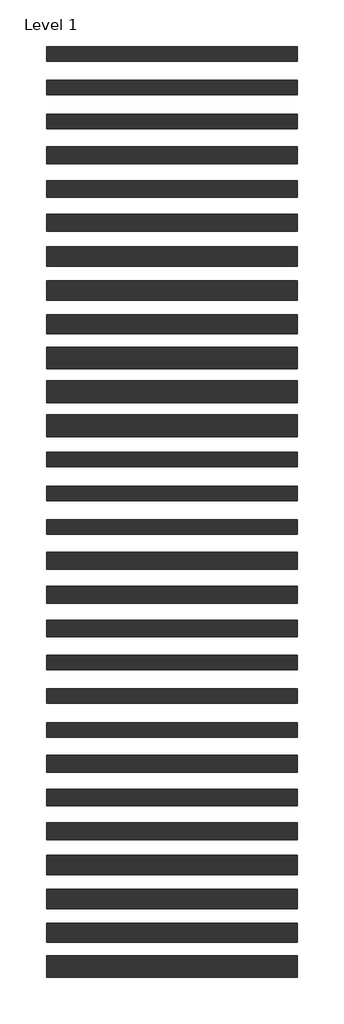
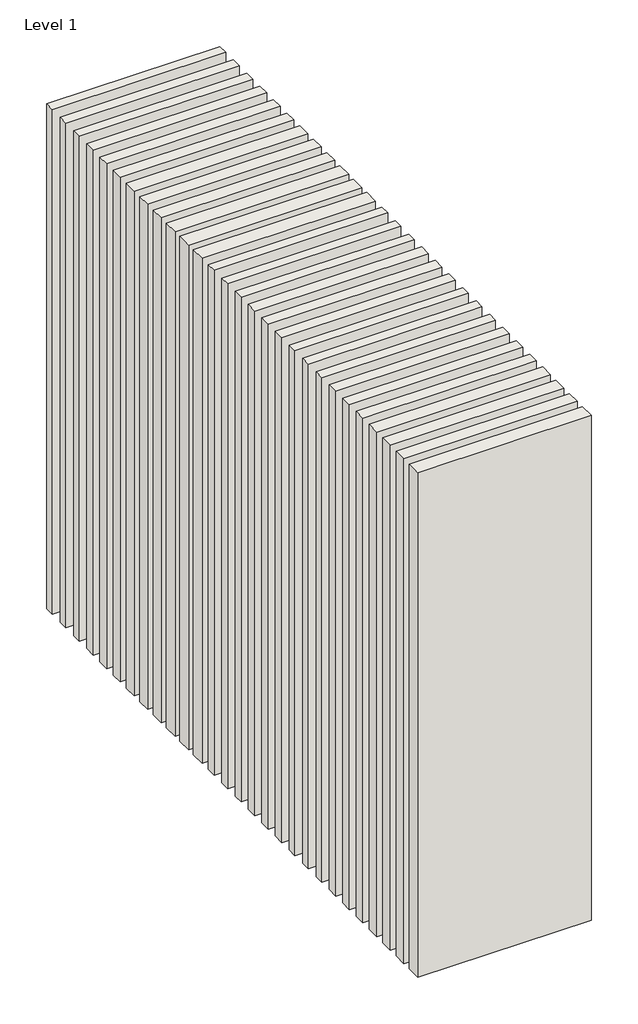
# One storey: 28 walls.
"""IFC4 building model written with IfcOpenShell, lengths in millimetres."""

import ifcopenshell
import ifcopenshell.guid

model = None  # the IFC model being written
_history = None  # IfcOwnerHistory: only IFC2X3 demands one
_inside = {}  # id of a spatial element -> (the spatial element, [elements in it])
_under = {}  # id of a project, library or spatial element -> (it, [spatial elements below it])
_declared = {}  # id of a project -> (the project, [libraries it declares])
_typed = {}  # id of a type object -> (the type object, [elements of that type])
_made_of = {}  # id of a material, layer set ... -> (it, [elements and type objects made of it])


def new_model(schema):
    """Start an empty IFC model of exactly this schema.

    Asked for "IFC4X3", IfcOpenShell would pick the latest addendum, in which some entities
    have other attributes; the version numbers below select the first issue.
    IFC2X3 requires an IfcOwnerHistory on every rooted entity: one is made here for all.
    """
    global model, _history
    if schema == "IFC4X3":
        model = ifcopenshell.file(schema_version=(4, 3, 0, 0))
    else:
        model = ifcopenshell.file(schema=schema)
    _inside.clear()
    _under.clear()
    _declared.clear()
    _typed.clear()
    _made_of.clear()
    _history = None
    if model.schema == "IFC2X3":
        org = make("IfcOrganization", Name="unknown")
        user = make(
            "IfcPersonAndOrganization",
            ThePerson=make("IfcPerson", FamilyName="unknown"),
            TheOrganization=org,
        )
        app = make(
            "IfcApplication",
            ApplicationDeveloper=org,
            Version="unknown",
            ApplicationFullName="unknown",
            ApplicationIdentifier="unknown",
        )
        _history = make(
            "IfcOwnerHistory",
            OwningUser=user,
            OwningApplication=app,
            ChangeAction="ADDED",
            CreationDate=0,
        )
    return model


def make(cls, **values):
    """One entity of the class cls with the attributes given. An attribute that is None is left unset."""
    return model.create_entity(
        cls, **{name: value for name, value in values.items() if value is not None}
    )


def rooted(cls, **values):
    """An entity with a GlobalId (a new one), such as an element, a storey or a relation."""
    return make(cls, GlobalId=ifcopenshell.guid.new(), OwnerHistory=_history, **values)


def si_unit(unit_type, name, prefix=None):
    """IfcSIUnit, for example si_unit("LENGTHUNIT", "METRE", prefix="MILLI")."""
    return make("IfcSIUnit", UnitType=unit_type, Prefix=prefix, Name=name)


def assignment(units):
    """IfcUnitAssignment: the units of a project."""
    return None if units is None else make("IfcUnitAssignment", Units=units)


def point(xyz):
    """IfcCartesianPoint."""
    return None if xyz is None else make("IfcCartesianPoint", Coordinates=xyz)


def direction(xyz):
    """IfcDirection."""
    return None if xyz is None else make("IfcDirection", DirectionRatios=xyz)


def frame(location, z_axis=None, x_axis=None):
    """IfcAxis2Placement3D, a coordinate frame: its origin and axes. An axis left out is left unset."""
    return make(
        "IfcAxis2Placement3D",
        Location=point(location),
        Axis=direction(z_axis),
        RefDirection=direction(x_axis),
    )


def origin():
    """The frame at (0, 0, 0) with its axes left unset."""
    return frame((0.0, 0.0, 0.0))


def origin_with_axes():
    """The frame at (0, 0, 0) with the z axis (0, 0, 1) and the x axis (1, 0, 0) written out."""
    return frame((0.0, 0.0, 0.0), z_axis=(0.0, 0.0, 1.0), x_axis=(1.0, 0.0, 0.0))


def place(relative_to, where):
    """IfcLocalPlacement: puts the frame where relative to a parent placement (None: the world)."""
    return make(
        "IfcLocalPlacement", PlacementRelTo=relative_to, RelativePlacement=where
    )


def context(
    kind, dimensions, precision=None, world=None, true_north=None, identifier=None
):
    """IfcGeometricRepresentationContext, for example the 3D "Model" context."""
    return make(
        "IfcGeometricRepresentationContext",
        ContextIdentifier=identifier,
        ContextType=kind,
        CoordinateSpaceDimension=dimensions,
        Precision=precision,
        WorldCoordinateSystem=world,
        TrueNorth=true_north,
    )


def project(units=None, contexts=None):
    """IfcProject with its units and contexts."""
    return rooted(
        "IfcProject",
        Name="project",
        RepresentationContexts=contexts,
        UnitsInContext=assignment(units),
    )


def spatial(cls, under=None, at=None, **own):
    """A site, building, storey or space (cls), placed at a placement, below another one or the project."""
    s = rooted(cls, ObjectPlacement=at, **own)
    if under is not None:
        _under.setdefault(under.id(), (under, []))[1].append(s)
    return s


def polyline(points):
    """IfcPolyline through the points."""
    return make("IfcPolyline", Points=[point(p) for p in points])


def outline(outer, holes=None, kind="AREA"):
    """IfcArbitraryClosedProfileDef: a profile drawn as a closed curve; with holes, ...WithVoids."""
    if holes is None:
        return make("IfcArbitraryClosedProfileDef", ProfileType=kind, OuterCurve=outer)
    return make(
        "IfcArbitraryProfileDefWithVoids",
        ProfileType=kind,
        OuterCurve=outer,
        InnerCurves=holes,
    )


def extrude(swept, where, along, depth):
    """IfcExtrudedAreaSolid: the profile swept, set in the frame where, extruded along a direction by depth."""
    return make(
        "IfcExtrudedAreaSolid",
        SweptArea=swept,
        Position=where,
        ExtrudedDirection=direction(along),
        Depth=depth,
    )


def shape(context_of_items, identifier, shape_type, items):
    """IfcShapeRepresentation: the items that make up one representation, for example the "Body"."""
    return make(
        "IfcShapeRepresentation",
        ContextOfItems=context_of_items,
        RepresentationIdentifier=identifier,
        RepresentationType=shape_type,
        Items=items,
    )


def made_of(thing, what):
    """Note that an element or type object is made of a material, layer set ...; save() writes the relation."""
    if what is not None:
        _made_of.setdefault(what.id(), (what, []))[1].append(thing)
    return thing


def element(
    cls,
    number,
    at=None,
    inside=None,
    cuts=None,
    type_object=None,
    material=None,
    context=None,
    identifier="Body",
    shape_type=None,
    held_by="IfcProductDefinitionShape",
    body=None,
    shapes=None,
    **own,
):
    """One element of the class cls, such as IfcWall. Its Tag is "e" and its number.

    at: its placement. inside: the storey or other place that contains it. cuts: it is an
    opening in that element (IfcRelVoidsElement). A single representation is given by context,
    identifier, shape_type and body (its items); several are given by shapes. held_by: the class
    of the entity that holds the representations. save() writes the other relations.
    """
    e = rooted(cls, Tag="e%d" % number, ObjectPlacement=at, **own)
    if body is not None:
        shapes = [shape(context, identifier, shape_type, body)]
    if shapes is not None:
        e.Representation = make(held_by, Representations=shapes)
    if inside is not None:
        _inside.setdefault(inside.id(), (inside, []))[1].append(e)
    if cuts is not None:
        rooted(
            "IfcRelVoidsElement", RelatingBuildingElement=cuts, RelatedOpeningElement=e
        )
    if type_object is not None:
        _typed.setdefault(type_object.id(), (type_object, []))[1].append(e)
    return made_of(e, material)


def aggregate(whole, parts):
    """IfcRelAggregates: a whole, such as a stair, and the parts it consists of."""
    return rooted("IfcRelAggregates", RelatingObject=whole, RelatedObjects=parts)


def save(model, path):
    """Write the relations noted so far, then the file.

    IfcRelAggregates (storeys below a building ...), IfcRelContainedInSpatialStructure (elements
    in a storey), IfcRelDefinesByType, IfcRelAssociatesMaterial and IfcRelDeclares: one each for
    every whole, place, type object, material and project.
    """
    for whole, parts in _under.values():
        aggregate(whole, parts)
    for where, things in _inside.values():
        rooted(
            "IfcRelContainedInSpatialStructure",
            RelatedElements=things,
            RelatingStructure=where,
        )
    for kind, things in _typed.values():
        rooted("IfcRelDefinesByType", RelatedObjects=things, RelatingType=kind)
    for what, things in _made_of.values():
        rooted("IfcRelAssociatesMaterial", RelatedObjects=things, RelatingMaterial=what)
    for by, libraries in _declared.values():
        rooted("IfcRelDeclares", RelatingContext=by, RelatedDefinitions=libraries)
    model.write(path)


model = new_model("IFC4")

# Units and contexts
model_context = context("Model", 3, world=origin())
ifc_project = project(units=[si_unit("LENGTHUNIT", "METRE", prefix="MILLI")], contexts=[model_context])

# Site, building, storey
site = spatial("IfcSite", under=ifc_project)
building = spatial("IfcBuilding", under=site)
storey = spatial("IfcBuildingStorey", under=building, Name="Level 1", Elevation=0.0)

# Walls
placement = place(None, origin())
element("IfcWall", 1, at=placement, inside=storey, context=model_context, shape_type="SweptSolid", body=[
    extrude(outline(polyline([(-16904.1464237, 3661.4042935), (-19504.1464237, 3661.4042935), (-19504.1464237, 3811.4042935), (-16904.1464237, 3811.4042935), (-16904.1464237, 3661.4042935)])), origin_with_axes(), (0.0, 0.0, 1.0), 8000.0),
])
element("IfcWall", 2, at=placement, inside=storey, context=model_context, shape_type="SweptSolid", body=[
    extrude(outline(polyline([(-16904.1464237, 3311.4042935), (-19504.1464237, 3311.4042935), (-19504.1464237, 3461.4042935), (-16904.1464237, 3461.4042935), (-16904.1464237, 3311.4042935)])), origin_with_axes(), (0.0, 0.0, 1.0), 8000.0),
])
element("IfcWall", 3, at=placement, inside=storey, context=model_context, shape_type="SweptSolid", body=[
    extrude(outline(polyline([(-16904.1464237, 2961.4042935), (-19504.1464237, 2961.4042935), (-19504.1464237, 3111.4042935), (-16904.1464237, 3111.4042935), (-16904.1464237, 2961.4042935)])), origin_with_axes(), (0.0, 0.0, 1.0), 8000.0),
])
element("IfcWall", 4, at=placement, inside=storey, context=model_context, shape_type="SweptSolid", body=[
    extrude(outline(polyline([(-16904.1464237, 2598.9042935), (-19504.1464237, 2598.9042935), (-19504.1464237, 2773.9042935), (-16904.1464237, 2773.9042935), (-16904.1464237, 2598.9042935)])), origin_with_axes(), (0.0, 0.0, 1.0), 8000.0),
])
element("IfcWall", 5, at=placement, inside=storey, context=model_context, shape_type="SweptSolid", body=[
    extrude(outline(polyline([(-16904.1464237, 2248.9042935), (-19504.1464237, 2248.9042935), (-19504.1464237, 2423.9042935), (-16904.1464237, 2423.9042935), (-16904.1464237, 2248.9042935)])), origin_with_axes(), (0.0, 0.0, 1.0), 8000.0),
])
element("IfcWall", 6, at=placement, inside=storey, context=model_context, shape_type="SweptSolid", body=[
    extrude(outline(polyline([(-16904.1464237, 1898.9042935), (-19504.1464237, 1898.9042935), (-19504.1464237, 2073.9042935), (-16904.1464237, 2073.9042935), (-16904.1464237, 1898.9042935)])), origin_with_axes(), (0.0, 0.0, 1.0), 8000.0),
])
element("IfcWall", 7, at=placement, inside=storey, context=model_context, shape_type="SweptSolid", body=[
    extrude(outline(polyline([(-16904.1464237, 1536.4042935), (-19504.1464237, 1536.4042935), (-19504.1464237, 1736.4042935), (-16904.1464237, 1736.4042935), (-16904.1464237, 1536.4042935)])), origin_with_axes(), (0.0, 0.0, 1.0), 8000.0),
])
element("IfcWall", 8, at=placement, inside=storey, context=model_context, shape_type="SweptSolid", body=[
    extrude(outline(polyline([(-16904.1464237, 1186.4042935), (-19504.1464237, 1186.4042935), (-19504.1464237, 1386.4042935), (-16904.1464237, 1386.4042935), (-16904.1464237, 1186.4042935)])), origin_with_axes(), (0.0, 0.0, 1.0), 8000.0),
])
element("IfcWall", 9, at=placement, inside=storey, context=model_context, shape_type="SweptSolid", body=[
    extrude(outline(polyline([(-16904.1464237, 836.4042935), (-19504.1464237, 836.4042935), (-19504.1464237, 1036.4042935), (-16904.1464237, 1036.4042935), (-16904.1464237, 836.4042935)])), origin_with_axes(), (0.0, 0.0, 1.0), 8000.0),
])
element("IfcWall", 10, at=placement, inside=storey, context=model_context, shape_type="SweptSolid", body=[
    extrude(outline(polyline([(-16904.1464237, 473.9042935), (-19504.1464237, 473.9042935), (-19504.1464237, 698.9042935), (-16904.1464237, 698.9042935), (-16904.1464237, 473.9042935)])), origin_with_axes(), (0.0, 0.0, 1.0), 8000.0),
])
element("IfcWall", 11, at=placement, inside=storey, context=model_context, shape_type="SweptSolid", body=[
    extrude(outline(polyline([(-16904.1464237, 123.9042935), (-19504.1464237, 123.9042935), (-19504.1464237, 348.9042935), (-16904.1464237, 348.9042935), (-16904.1464237, 123.9042935)])), origin_with_axes(), (0.0, 0.0, 1.0), 8000.0),
])
element("IfcWall", 12, at=placement, inside=storey, context=model_context, shape_type="SweptSolid", body=[
    extrude(outline(polyline([(-16904.1464237, -226.0957065), (-19504.1464237, -226.0957065), (-19504.1464237, -1.0957065), (-16904.1464237, -1.0957065), (-16904.1464237, -226.0957065)])), origin_with_axes(), (0.0, 0.0, 1.0), 8000.0),
])
element("IfcWall", 13, at=placement, inside=storey, context=model_context, shape_type="SweptSolid", body=[
    extrude(outline(polyline([(-16904.1464237, -538.5957065), (-19504.1464237, -538.5957065), (-19504.1464237, -388.5957065), (-16904.1464237, -388.5957065), (-16904.1464237, -538.5957065)])), origin_with_axes(), (0.0, 0.0, 1.0), 8000.0),
])
element("IfcWall", 14, at=placement, inside=storey, context=model_context, shape_type="SweptSolid", body=[
    extrude(outline(polyline([(-16904.1464237, -888.5957065), (-19504.1464237, -888.5957065), (-19504.1464237, -738.5957065), (-16904.1464237, -738.5957065), (-16904.1464237, -888.5957065)])), origin_with_axes(), (0.0, 0.0, 1.0), 8000.0),
])
element("IfcWall", 15, at=placement, inside=storey, context=model_context, shape_type="SweptSolid", body=[
    extrude(outline(polyline([(-16904.1464237, -1238.5957065), (-19504.1464237, -1238.5957065), (-19504.1464237, -1088.5957065), (-16904.1464237, -1088.5957065), (-16904.1464237, -1238.5957065)])), origin_with_axes(), (0.0, 0.0, 1.0), 8000.0),
])
element("IfcWall", 16, at=placement, inside=storey, context=model_context, shape_type="SweptSolid", body=[
    extrude(outline(polyline([(-16904.1464237, -1601.0957065), (-19504.1464237, -1601.0957065), (-19504.1464237, -1426.0957065), (-16904.1464237, -1426.0957065), (-16904.1464237, -1601.0957065)])), origin_with_axes(), (0.0, 0.0, 1.0), 8000.0),
])
element("IfcWall", 17, at=placement, inside=storey, context=model_context, shape_type="SweptSolid", body=[
    extrude(outline(polyline([(-16904.1464237, -1951.0957065), (-19504.1464237, -1951.0957065), (-19504.1464237, -1776.0957065), (-16904.1464237, -1776.0957065), (-16904.1464237, -1951.0957065)])), origin_with_axes(), (0.0, 0.0, 1.0), 8000.0),
])
element("IfcWall", 18, at=placement, inside=storey, context=model_context, shape_type="SweptSolid", body=[
    extrude(outline(polyline([(-16904.1464237, -2301.0957065), (-19504.1464237, -2301.0957065), (-19504.1464237, -2126.0957065), (-16904.1464237, -2126.0957065), (-16904.1464237, -2301.0957065)])), origin_with_axes(), (0.0, 0.0, 1.0), 8000.0),
])
element("IfcWall", 19, at=placement, inside=storey, context=model_context, shape_type="SweptSolid", body=[
    extrude(outline(polyline([(-16904.1464237, -2638.5957065), (-19504.1464237, -2638.5957065), (-19504.1464237, -2488.5957065), (-16904.1464237, -2488.5957065), (-16904.1464237, -2638.5957065)])), origin_with_axes(), (0.0, 0.0, 1.0), 8000.0),
])
element("IfcWall", 20, at=placement, inside=storey, context=model_context, shape_type="SweptSolid", body=[
    extrude(outline(polyline([(-16904.1464237, -2988.5957065), (-19504.1464237, -2988.5957065), (-19504.1464237, -2838.5957065), (-16904.1464237, -2838.5957065), (-16904.1464237, -2988.5957065)])), origin_with_axes(), (0.0, 0.0, 1.0), 8000.0),
])
element("IfcWall", 21, at=placement, inside=storey, context=model_context, shape_type="SweptSolid", body=[
    extrude(outline(polyline([(-16904.1464237, -3338.5957065), (-19504.1464237, -3338.5957065), (-19504.1464237, -3188.5957065), (-16904.1464237, -3188.5957065), (-16904.1464237, -3338.5957065)])), origin_with_axes(), (0.0, 0.0, 1.0), 8000.0),
])
element("IfcWall", 22, at=placement, inside=storey, context=model_context, shape_type="SweptSolid", body=[
    extrude(outline(polyline([(-16904.1464237, -3701.0957065), (-19504.1464237, -3701.0957065), (-19504.1464237, -3526.0957065), (-16904.1464237, -3526.0957065), (-16904.1464237, -3701.0957065)])), origin_with_axes(), (0.0, 0.0, 1.0), 8000.0),
])
element("IfcWall", 23, at=placement, inside=storey, context=model_context, shape_type="SweptSolid", body=[
    extrude(outline(polyline([(-16904.1464237, -4051.0957065), (-19504.1464237, -4051.0957065), (-19504.1464237, -3876.0957065), (-16904.1464237, -3876.0957065), (-16904.1464237, -4051.0957065)])), origin_with_axes(), (0.0, 0.0, 1.0), 8000.0),
])
element("IfcWall", 24, at=placement, inside=storey, context=model_context, shape_type="SweptSolid", body=[
    extrude(outline(polyline([(-16904.1464237, -4401.0957065), (-19504.1464237, -4401.0957065), (-19504.1464237, -4226.0957065), (-16904.1464237, -4226.0957065), (-16904.1464237, -4401.0957065)])), origin_with_axes(), (0.0, 0.0, 1.0), 8000.0),
])
element("IfcWall", 25, at=placement, inside=storey, context=model_context, shape_type="SweptSolid", body=[
    extrude(outline(polyline([(-16904.1464237, -4763.5957065), (-19504.1464237, -4763.5957065), (-19504.1464237, -4563.5957065), (-16904.1464237, -4563.5957065), (-16904.1464237, -4763.5957065)])), origin_with_axes(), (0.0, 0.0, 1.0), 8000.0),
])
element("IfcWall", 26, at=placement, inside=storey, context=model_context, shape_type="SweptSolid", body=[
    extrude(outline(polyline([(-16904.1464237, -5113.5957065), (-19504.1464237, -5113.5957065), (-19504.1464237, -4913.5957065), (-16904.1464237, -4913.5957065), (-16904.1464237, -5113.5957065)])), origin_with_axes(), (0.0, 0.0, 1.0), 8000.0),
])
element("IfcWall", 27, at=placement, inside=storey, context=model_context, shape_type="SweptSolid", body=[
    extrude(outline(polyline([(-16904.1464237, -5463.5957065), (-19504.1464237, -5463.5957065), (-19504.1464237, -5263.5957065), (-16904.1464237, -5263.5957065), (-16904.1464237, -5463.5957065)])), origin_with_axes(), (0.0, 0.0, 1.0), 8000.0),
])
element("IfcWall", 28, at=placement, inside=storey, context=model_context, shape_type="SweptSolid", body=[
    extrude(outline(polyline([(-16904.1464237, -5826.0957065), (-19504.1464237, -5826.0957065), (-19504.1464237, -5601.0957065), (-16904.1464237, -5601.0957065), (-16904.1464237, -5826.0957065)])), origin_with_axes(), (0.0, 0.0, 1.0), 8000.0),
])

save(model, "model.ifc")
